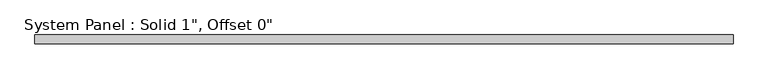
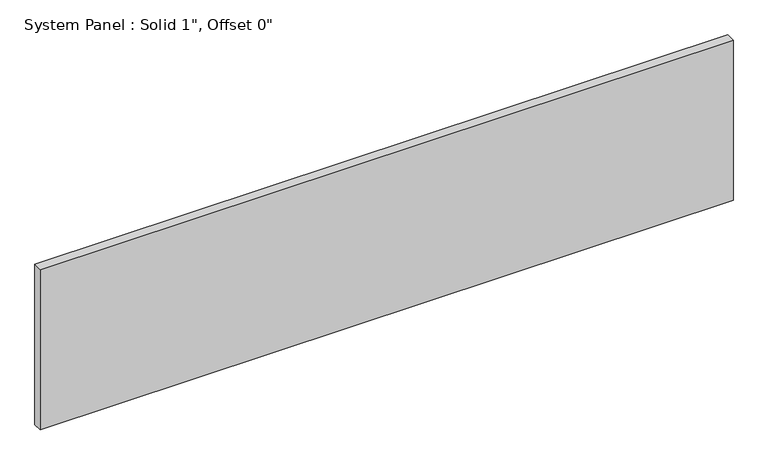
"""IFC4 building model written with IfcOpenShell, lengths in millimetres: plate geometry."""

from ifc_helpers import new_model, si_unit, origin, origin_with_axes, place, context, project, spatial, polyline, outline, extrude, source, transform, mapped, element, save


def plate_7859d862(model_context):
    return source(origin(), model_context, "Body", "SweptSolid", [
        extrude(outline(polyline([(979.3410647, -12.7), (-979.3410647, -12.7), (-979.3410647, 12.7), (979.3410647, 12.7), (979.3410647, -12.7)])), origin_with_axes(), (0.0, 0.0, 1.0), 478.7816625),
    ])


if __name__ == "__main__":
    model = new_model("IFC4")
    model_context = context("Model", 3, world=origin())
    ifc_project = project(units=[si_unit("LENGTHUNIT", "METRE", prefix="MILLI")], contexts=[model_context])
    site = spatial("IfcSite", under=ifc_project)
    building = spatial("IfcBuilding", under=site)
    placement = place(None, origin())
    plate_shape = plate_7859d862(model_context)
    element("IfcPlate", 1, ObjectType="System Panel : Solid 1\", Offset 0\"", at=placement, inside=building, context=model_context, shape_type="MappedRepresentation", body=[
        mapped(plate_shape, transform((0.0, 0.0, 0.0), x_axis=(1.0, 0.0, 0.0), y_axis=(0.0, 1.0, 0.0), z_axis=(0.0, 0.0, 1.0))),
    ])
    save(model, "model.ifc")
